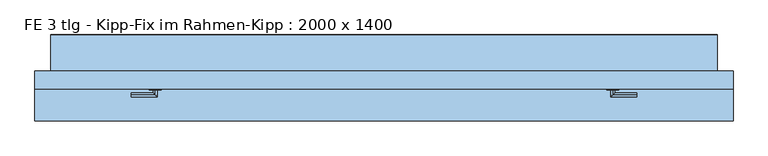
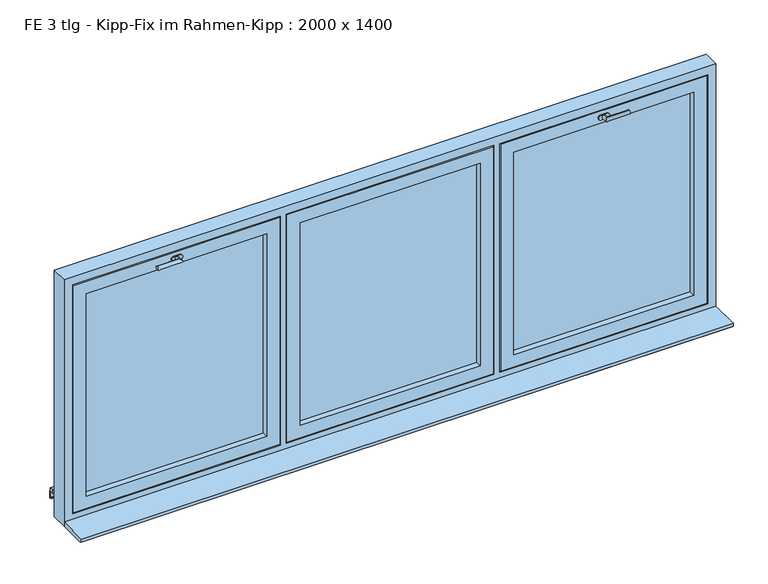
"""IFC4 building model written with IfcOpenShell, lengths in millimetres: window geometry, FE 3 tlg - Kipp-Fix im Rahmen-Kipp : 2000 x 1400."""

from ifc_helpers import new_model, si_unit, frame, origin, place, context, project, spatial, polyline, circle_curve, ellipse_curve, outline, extrude, faceted_brep, source, transform, mapped, element, save
from ifc_brep_helpers import plane_surface, cylinder_surface, advanced_brep


def fe_3_tlg_kipp_fix_im_rahmen_kipp_2000_x_1400_42bc83df(model_context):
    return source(origin(), model_context, "Body", "SolidModel", [
        advanced_brep(
        [(1129.1666667, 35.0, 2177.5), (1146.6666667, 35.0, 2177.5), (1164.1666667, 35.0, 2177.5), (1164.1666667, 35.0, 2152.5), (1146.6666667, 35.0, 2152.5), (1129.1666667, 35.0, 2152.5), (1146.6666667, 5.0, 2155.0), (1146.6666667, 5.0, 2175.0), (1146.6666667, 29.0, 2175.0), (1146.6666667, 29.0, 2155.0), (1266.6666667, 5.0, 2155.0), (1266.6666667, 5.0, 2175.0), (1129.1666667, 29.0, 2177.5), (1129.1666667, 29.0, 2152.5), (1146.6666667, 29.0, 2152.5), (1164.1666667, 29.0, 2152.5), (1164.1666667, 29.0, 2177.5), (1146.6666667, 29.0, 2177.5)],
        [
            (0, 1),
            (1, 2),
            (2, 3, circle_curve(frame((1164.1666667, 35.0, 2165.0), z_axis=(0.0, 1.0, 0.0), x_axis=(0.0, 0.0, 1.0)), 12.5)),
            (3, 4),
            (4, 5),
            (5, 0, circle_curve(frame((1129.1666667, 35.0, 2165.0), z_axis=(0.0, 1.0, 0.0), x_axis=(0.0, 0.0, 1.0)), 12.5)),
            (6, 7, ellipse_curve(frame((1146.6666667, 5.0, 2165.0), z_axis=(-0.7071067811865475, 0.7071067811865475, 0.0), x_axis=(0.7071067811865474, 0.7071067811865476, 0.0)), 14.1421356, 10.0)),
            (7, 8),
            (8, 9, circle_curve(frame((1146.6666667, 29.0, 2165.0), z_axis=(0.0, -1.0, 0.0), x_axis=(0.0, 0.0, 1.0)), 10.0)),
            (9, 6),
            (7, 6, ellipse_curve(frame((1146.6666667, 5.0, 2165.0), z_axis=(-0.7071067811865475, 0.7071067811865475, 0.0), x_axis=(0.7071067811865474, 0.7071067811865476, 0.0)), 14.1421356, 10.0)),
            (9, 8, circle_curve(frame((1146.6666667, 29.0, 2165.0), z_axis=(0.0, -1.0, 0.0), x_axis=(0.0, 0.0, 1.0)), 10.0)),
            (10, 11, circle_curve(frame((1266.6666667, 5.0, 2165.0), z_axis=(1.0, 0.0, 0.0), x_axis=(0.0, 0.0, 1.0)), 10.0)),
            (11, 10, circle_curve(frame((1266.6666667, 5.0, 2165.0), z_axis=(1.0, 0.0, 0.0), x_axis=(0.0, 0.0, 1.0)), 10.0)),
            (6, 10),
            (11, 7),
            (12, 13, circle_curve(frame((1129.1666667, 29.0, 2165.0), z_axis=(0.0, -1.0, 0.0), x_axis=(0.0, 0.0, 1.0)), 12.5)),
            (13, 14),
            (14, 15),
            (15, 16, circle_curve(frame((1164.1666667, 29.0, 2165.0), z_axis=(0.0, -1.0, 0.0), x_axis=(0.0, 0.0, 1.0)), 12.5)),
            (16, 17),
            (17, 12),
            (12, 0),
            (5, 13),
            (4, 14),
            (3, 15),
            (2, 16),
            (1, 17),
        ],
        [
            plane_surface(frame((1146.6666667, 35.0, 2165.0), z_axis=(0.0, 1.0, 0.0), x_axis=(0.0, 0.0, 1.0))),
            cylinder_surface(frame((1146.6666667, 35.0, 2165.0), z_axis=(0.0, 1.0, 0.0), x_axis=(0.0, 0.0, 1.0)), 10.0),
            plane_surface(frame((1266.6666667, 5.0, 2165.0), z_axis=(1.0, 0.0, 0.0), x_axis=(0.0, 0.0, 1.0))),
            cylinder_surface(frame((1146.6666667, 5.0, 2165.0), z_axis=(-1.0, 0.0, 0.0), x_axis=(0.0, 0.0, 1.0)), 10.0),
            plane_surface(frame((1129.1666667, 29.0, 2177.5), z_axis=(0.0, -1.0, 0.0), x_axis=(-1.0, 0.0, 0.0))),
            cylinder_surface(frame((1129.1666667, 35.0, 2165.0), z_axis=(0.0, -1.0, 0.0), x_axis=(0.0, 0.0, 1.0)), 12.5),
            plane_surface(frame((1129.1666667, 29.0, 2152.5), z_axis=(0.0, 0.0, -1.0), x_axis=(0.0, 1.0, 0.0))),
            plane_surface(frame((1146.6666667, 29.0, 2152.5), z_axis=(0.0, 0.0, -1.0), x_axis=(0.0, 1.0, 0.0))),
            cylinder_surface(frame((1164.1666667, 35.0, 2165.0), z_axis=(0.0, -1.0, 0.0), x_axis=(0.0, 0.0, 1.0)), 12.5),
            plane_surface(frame((1164.1666667, 29.0, 2177.5), z_axis=(0.0, 0.0, 1.0), x_axis=(0.0, 1.0, 0.0))),
            plane_surface(frame((1146.6666667, 29.0, 2177.5), z_axis=(0.0, 0.0, 1.0), x_axis=(0.0, 1.0, 0.0))),
        ],
        [
            (0, [[1, 2, 3, 4, 5, 6]]),
            (1, [[7, 8, 9, 10]]),
            (1, [[11, -10, 12, -8]]),
            (2, [[13, 14]]),
            (3, [[-7, 15, -14, 16]]),
            (3, [[-11, -16, -13, -15]]),
            (4, [[17, 18, 19, 20, 21, 22], [-9, -12]]),
            (5, [[-17, 23, -6, 24]]),
            (6, [[-18, -24, -5, 25]]),
            (7, [[-19, -25, -4, 26]]),
            (8, [[-20, -26, -3, 27]]),
            (9, [[-21, -27, -2, 28]]),
            (10, [[-22, -28, -1, -23]]),
        ],
    ),
        faceted_brep([(1630.0, 35.0, 2130.0), (1630.0, 125.0, 2130.0), (1630.0, 125.0, 980.0), (1630.0, 35.0, 980.0), (1660.0, 125.0, 950.0), (633.3333333, 125.0, 950.0), (633.3333333, 125.0, 2160.0), (1660.0, 125.0, 2160.0), (663.3333333, 125.0, 2130.0), (663.3333333, 125.0, 980.0), (663.3333333, 35.0, 980.0), (1700.0, 35.0, 2200.0), (593.3333333, 35.0, 2200.0), (593.3333333, 35.0, 910.0), (1700.0, 35.0, 910.0), (663.3333333, 35.0, 2130.0), (1700.0, 50.0, 2200.0), (1700.0, 50.0, 910.0), (593.3333333, 50.0, 910.0), (593.3333333, 50.0, 2200.0), (1685.0, 50.0, 2185.0), (608.3333333, 50.0, 2185.0), (608.3333333, 50.0, 925.0), (1685.0, 50.0, 925.0), (1685.0, 80.0, 2185.0), (1685.0, 80.0, 925.0), (608.3333333, 80.0, 925.0), (608.3333333, 80.0, 2185.0), (1675.0, 80.0, 2175.0), (618.3333333, 80.0, 2175.0), (618.3333333, 80.0, 935.0), (1675.0, 80.0, 935.0), (1675.0, 110.0, 2175.0), (1675.0, 110.0, 935.0), (618.3333333, 110.0, 935.0), (618.3333333, 110.0, 2175.0), (1660.0, 110.0, 2160.0), (633.3333333, 110.0, 2160.0), (633.3333333, 110.0, 950.0), (1660.0, 110.0, 950.0)], [[[0, 1, 2, 3]], [[4, 5, 6, 7], [1, 8, 9, 2]], [[3, 2, 9, 10]], [[11, 12, 13, 14], [3, 10, 15, 0]], [[16, 11, 14, 17]], [[17, 14, 13, 18]], [[17, 18, 19, 16], [20, 21, 22, 23]], [[24, 20, 23, 25]], [[25, 23, 22, 26]], [[25, 26, 27, 24], [28, 29, 30, 31]], [[32, 28, 31, 33]], [[33, 31, 30, 34]], [[33, 34, 35, 32], [36, 37, 38, 39]], [[7, 36, 39, 4]], [[4, 39, 38, 5]], [[10, 9, 8, 15]], [[18, 13, 12, 19]], [[26, 22, 21, 27]], [[34, 30, 29, 35]], [[5, 38, 37, 6]], [[15, 8, 1, 0]], [[19, 12, 11, 16]], [[27, 21, 20, 24]], [[35, 29, 28, 32]], [[6, 37, 36, 7]]]),
        extrude(outline(polyline([(1630.0, 110.0), (1630.0, 66.0), (663.3333333, 66.0), (663.3333333, 110.0), (1630.0, 110.0)])), frame((0.0, 0.0, 980.0), z_axis=(0.0, 0.0, 1.0), x_axis=(1.0, 0.0, 0.0)), (0.0, 0.0, 1.0), 1150.0),
        faceted_brep([(483.3333333, 35.0, 2130.0), (483.3333333, 125.0, 2130.0), (483.3333333, 125.0, 980.0), (483.3333333, 35.0, 980.0), (513.3333333, 125.0, 950.0), (-513.3333333, 125.0, 950.0), (-513.3333333, 125.0, 2160.0), (513.3333333, 125.0, 2160.0), (-483.3333333, 125.0, 2130.0), (-483.3333333, 125.0, 980.0), (-483.3333333, 35.0, 980.0), (553.3333333, 35.0, 2200.0), (-553.3333333, 35.0, 2200.0), (-553.3333333, 35.0, 910.0), (553.3333333, 35.0, 910.0), (-483.3333333, 35.0, 2130.0), (553.3333333, 50.0, 2200.0), (553.3333333, 50.0, 910.0), (-553.3333333, 50.0, 910.0), (-553.3333333, 50.0, 2200.0), (538.3333333, 50.0, 2185.0), (-538.3333333, 50.0, 2185.0), (-538.3333333, 50.0, 925.0), (538.3333333, 50.0, 925.0), (538.3333333, 80.0, 2185.0), (538.3333333, 80.0, 925.0), (-538.3333333, 80.0, 925.0), (-538.3333333, 80.0, 2185.0), (528.3333333, 80.0, 2175.0), (-528.3333333, 80.0, 2175.0), (-528.3333333, 80.0, 935.0), (528.3333333, 80.0, 935.0), (528.3333333, 110.0, 2175.0), (528.3333333, 110.0, 935.0), (-528.3333333, 110.0, 935.0), (-528.3333333, 110.0, 2175.0), (513.3333333, 110.0, 2160.0), (-513.3333333, 110.0, 2160.0), (-513.3333333, 110.0, 950.0), (513.3333333, 110.0, 950.0)], [[[0, 1, 2, 3]], [[4, 5, 6, 7], [1, 8, 9, 2]], [[3, 2, 9, 10]], [[11, 12, 13, 14], [3, 10, 15, 0]], [[16, 11, 14, 17]], [[17, 14, 13, 18]], [[17, 18, 19, 16], [20, 21, 22, 23]], [[24, 20, 23, 25]], [[25, 23, 22, 26]], [[25, 26, 27, 24], [28, 29, 30, 31]], [[32, 28, 31, 33]], [[33, 31, 30, 34]], [[33, 34, 35, 32], [36, 37, 38, 39]], [[7, 36, 39, 4]], [[4, 39, 38, 5]], [[10, 9, 8, 15]], [[18, 13, 12, 19]], [[26, 22, 21, 27]], [[34, 30, 29, 35]], [[5, 38, 37, 6]], [[15, 8, 1, 0]], [[19, 12, 11, 16]], [[27, 21, 20, 24]], [[35, 29, 28, 32]], [[6, 37, 36, 7]]]),
        extrude(outline(polyline([(483.3333333, 110.0), (483.3333333, 66.0), (-483.3333333, 66.0), (-483.3333333, 110.0), (483.3333333, 110.0)])), frame((0.0, 0.0, 980.0), z_axis=(0.0, 0.0, 1.0), x_axis=(1.0, 0.0, 0.0)), (0.0, 0.0, 1.0), 1150.0),
        faceted_brep([(-1670.0, 305.0, 878.7890244), (-1670.0, 285.0, 880.0390244), (-1670.0, 125.0, 890.0390244), (1670.0, 125.0, 890.0390244), (1670.0, 285.0, 880.0390244), (1670.0, 305.0, 878.7890244), (-1670.0, 305.0, 858.75), (1670.0, 305.0, 858.75), (-1670.0, 285.0, 860.0), (1670.0, 285.0, 860.0), (1670.0, 125.0, 870.0), (-1670.0, 125.0, 870.0)], [[[0, 1, 2, 3, 4, 5]], [[6, 0, 5, 7]], [[8, 6, 7, 9, 10, 11]], [[2, 11, 10, 3]], [[8, 1, 0, 6]], [[9, 4, 3, 10]], [[1, 8, 11, 2]], [[4, 9, 7, 5]]]),
        faceted_brep([(-1670.0, 307.0, 860.6252434), (-1670.0, 285.0, 862.0002434), (-1670.0, 127.0, 871.8752434), (1670.0, 127.0, 871.8752434), (1670.0, 285.0, 862.0002434), (1670.0, 307.0, 860.6252434), (-1670.0, 307.0, 820.6252434), (1670.0, 307.0, 820.6252434), (-1670.0, 295.0, 820.6252434), (1670.0, 295.0, 820.6252434), (-1670.0, 295.0, 822.6252434), (1670.0, 295.0, 822.6252434), (-1670.0, 305.0, 822.6252434), (1670.0, 305.0, 822.6252434), (-1670.0, 305.0, 858.75), (1670.0, 305.0, 858.75), (-1670.0, 285.0, 860.0), (1670.0, 285.0, 860.0), (1670.0, 125.0, 870.0), (-1670.0, 125.0, 870.0), (-1670.0, 125.0, 890.0), (1670.0, 125.0, 890.0), (-1670.0, 127.0, 890.0), (1670.0, 127.0, 890.0)], [[[0, 1, 2, 3, 4, 5]], [[6, 0, 5, 7]], [[8, 6, 7, 9]], [[10, 8, 9, 11]], [[12, 10, 11, 13]], [[14, 12, 13, 15]], [[16, 14, 15, 17, 18, 19]], [[20, 19, 18, 21]], [[22, 20, 21, 23]], [[2, 22, 23, 3]], [[16, 1, 0, 6, 8, 10, 12, 14]], [[17, 4, 3, 23, 21, 18]], [[1, 16, 19, 20, 22, 2]], [[4, 17, 15, 13, 11, 9, 7, 5]]]),
        advanced_brep(
        [(-1129.1666667, 35.0, 2177.5), (-1129.1666667, 35.0, 2152.5), (-1146.6666667, 35.0, 2152.5), (-1164.1666667, 35.0, 2152.5), (-1164.1666667, 35.0, 2177.5), (-1146.6666667, 35.0, 2177.5), (-1146.6666667, 5.0, 2155.0), (-1146.6666667, 29.0, 2155.0), (-1146.6666667, 29.0, 2175.0), (-1146.6666667, 5.0, 2175.0), (-1266.6666667, 5.0, 2155.0), (-1266.6666667, 5.0, 2175.0), (-1129.1666667, 29.0, 2177.5), (-1146.6666667, 29.0, 2177.5), (-1164.1666667, 29.0, 2177.5), (-1164.1666667, 29.0, 2152.5), (-1146.6666667, 29.0, 2152.5), (-1129.1666667, 29.0, 2152.5)],
        [
            (0, 1, circle_curve(frame((-1129.1666667, 35.0, 2165.0), z_axis=(0.0, 1.0, 0.0), x_axis=(0.0, 0.0, 1.0)), 12.5)),
            (1, 2),
            (2, 3),
            (3, 4, circle_curve(frame((-1164.1666667, 35.0, 2165.0), z_axis=(0.0, 1.0, 0.0), x_axis=(0.0, 0.0, 1.0)), 12.5)),
            (4, 5),
            (5, 0),
            (6, 7),
            (7, 8, circle_curve(frame((-1146.6666667, 29.0, 2165.0), z_axis=(0.0, -1.0, 0.0), x_axis=(0.0, 0.0, 1.0)), 10.0)),
            (8, 9),
            (9, 6, ellipse_curve(frame((-1146.6666667, 5.0, 2165.0), z_axis=(0.7071067811865475, 0.7071067811865475, 0.0), x_axis=(-0.7071067811865474, 0.7071067811865476, 0.0)), 14.1421356, 10.0)),
            (8, 7, circle_curve(frame((-1146.6666667, 29.0, 2165.0), z_axis=(0.0, -1.0, 0.0), x_axis=(0.0, 0.0, 1.0)), 10.0)),
            (6, 9, ellipse_curve(frame((-1146.6666667, 5.0, 2165.0), z_axis=(0.7071067811865475, 0.7071067811865475, 0.0), x_axis=(-0.7071067811865474, 0.7071067811865476, 0.0)), 14.1421356, 10.0)),
            (10, 11, circle_curve(frame((-1266.6666667, 5.0, 2165.0), z_axis=(-1.0, 0.0, 0.0), x_axis=(0.0, 0.0, 1.0)), 10.0)),
            (11, 10, circle_curve(frame((-1266.6666667, 5.0, 2165.0), z_axis=(-1.0, 0.0, 0.0), x_axis=(0.0, 0.0, 1.0)), 10.0)),
            (9, 11),
            (10, 6),
            (12, 13),
            (13, 14),
            (14, 15, circle_curve(frame((-1164.1666667, 29.0, 2165.0), z_axis=(0.0, -1.0, 0.0), x_axis=(0.0, 0.0, 1.0)), 12.5)),
            (15, 16),
            (16, 17),
            (17, 12, circle_curve(frame((-1129.1666667, 29.0, 2165.0), z_axis=(0.0, -1.0, 0.0), x_axis=(0.0, 0.0, 1.0)), 12.5)),
            (17, 1),
            (0, 12),
            (16, 2),
            (15, 3),
            (14, 4),
            (13, 5),
        ],
        [
            plane_surface(frame((-1146.6666667, 35.0, 2165.0), z_axis=(0.0, 1.0, 0.0), x_axis=(0.0, 0.0, 1.0))),
            cylinder_surface(frame((-1146.6666667, 35.0, 2165.0), z_axis=(0.0, 1.0, 0.0), x_axis=(0.0, 0.0, 1.0)), 10.0),
            plane_surface(frame((-1266.6666667, 5.0, 2165.0), z_axis=(-1.0, 0.0, 0.0), x_axis=(0.0, 0.0, 1.0))),
            cylinder_surface(frame((-1146.6666667, 5.0, 2165.0), z_axis=(1.0, 0.0, 0.0), x_axis=(0.0, 0.0, 1.0)), 10.0),
            plane_surface(frame((-1129.1666667, 29.0, 2177.5), z_axis=(0.0, -1.0, 0.0), x_axis=(1.0, 0.0, 0.0))),
            cylinder_surface(frame((-1129.1666667, 35.0, 2165.0), z_axis=(0.0, -1.0, 0.0), x_axis=(0.0, 0.0, 1.0)), 12.5),
            plane_surface(frame((-1129.1666667, 29.0, 2152.5), z_axis=(0.0, 0.0, -1.0), x_axis=(0.0, 1.0, 0.0))),
            plane_surface(frame((-1146.6666667, 29.0, 2152.5), z_axis=(0.0, 0.0, -1.0), x_axis=(0.0, 1.0, 0.0))),
            cylinder_surface(frame((-1164.1666667, 35.0, 2165.0), z_axis=(0.0, -1.0, 0.0), x_axis=(0.0, 0.0, 1.0)), 12.5),
            plane_surface(frame((-1164.1666667, 29.0, 2177.5), z_axis=(0.0, 0.0, 1.0), x_axis=(0.0, 1.0, 0.0))),
            plane_surface(frame((-1146.6666667, 29.0, 2177.5), z_axis=(0.0, 0.0, 1.0), x_axis=(0.0, 1.0, 0.0))),
        ],
        [
            (0, [[1, 2, 3, 4, 5, 6]]),
            (1, [[7, 8, 9, 10]]),
            (1, [[-9, 11, -7, 12]]),
            (2, [[13, 14]]),
            (3, [[15, -13, 16, -10]]),
            (3, [[-16, -14, -15, -12]]),
            (4, [[17, 18, 19, 20, 21, 22], [-11, -8]]),
            (5, [[23, -1, 24, -22]]),
            (6, [[25, -2, -23, -21]]),
            (7, [[26, -3, -25, -20]]),
            (8, [[27, -4, -26, -19]]),
            (9, [[28, -5, -27, -18]]),
            (10, [[-24, -6, -28, -17]]),
        ],
    ),
        faceted_brep([(-1630.0, 35.0, 2130.0), (-1630.0, 35.0, 980.0), (-1630.0, 125.0, 980.0), (-1630.0, 125.0, 2130.0), (-1660.0, 125.0, 950.0), (-1660.0, 125.0, 2160.0), (-633.3333333, 125.0, 2160.0), (-633.3333333, 125.0, 950.0), (-663.3333333, 125.0, 980.0), (-663.3333333, 125.0, 2130.0), (-663.3333333, 35.0, 980.0), (-1700.0, 35.0, 2200.0), (-1700.0, 35.0, 910.0), (-593.3333333, 35.0, 910.0), (-593.3333333, 35.0, 2200.0), (-663.3333333, 35.0, 2130.0), (-1700.0, 50.0, 2200.0), (-1700.0, 50.0, 910.0), (-593.3333333, 50.0, 910.0), (-593.3333333, 50.0, 2200.0), (-1685.0, 50.0, 2185.0), (-1685.0, 50.0, 925.0), (-608.3333333, 50.0, 925.0), (-608.3333333, 50.0, 2185.0), (-1685.0, 80.0, 2185.0), (-1685.0, 80.0, 925.0), (-608.3333333, 80.0, 925.0), (-608.3333333, 80.0, 2185.0), (-1675.0, 80.0, 2175.0), (-1675.0, 80.0, 935.0), (-618.3333333, 80.0, 935.0), (-618.3333333, 80.0, 2175.0), (-1675.0, 110.0, 2175.0), (-1675.0, 110.0, 935.0), (-618.3333333, 110.0, 935.0), (-618.3333333, 110.0, 2175.0), (-1660.0, 110.0, 2160.0), (-1660.0, 110.0, 950.0), (-633.3333333, 110.0, 950.0), (-633.3333333, 110.0, 2160.0)], [[[0, 1, 2, 3]], [[4, 5, 6, 7], [3, 2, 8, 9]], [[1, 10, 8, 2]], [[11, 12, 13, 14], [1, 0, 15, 10]], [[16, 17, 12, 11]], [[17, 18, 13, 12]], [[17, 16, 19, 18], [20, 21, 22, 23]], [[24, 25, 21, 20]], [[25, 26, 22, 21]], [[25, 24, 27, 26], [28, 29, 30, 31]], [[32, 33, 29, 28]], [[33, 34, 30, 29]], [[33, 32, 35, 34], [36, 37, 38, 39]], [[5, 4, 37, 36]], [[4, 7, 38, 37]], [[10, 15, 9, 8]], [[18, 19, 14, 13]], [[26, 27, 23, 22]], [[34, 35, 31, 30]], [[7, 6, 39, 38]], [[15, 0, 3, 9]], [[19, 16, 11, 14]], [[27, 24, 20, 23]], [[35, 32, 28, 31]], [[6, 5, 36, 39]]]),
        extrude(outline(polyline([(-1630.0, 110.0), (-663.3333333, 110.0), (-663.3333333, 66.0), (-1630.0, 66.0), (-1630.0, 110.0)])), frame((0.0, 0.0, 980.0), z_axis=(0.0, 0.0, 1.0), x_axis=(1.0, 0.0, 0.0)), (0.0, 0.0, 1.0), 1150.0),
        faceted_brep([(1750.0, 125.0, 850.0), (1750.0, 35.0, 850.0), (-1750.0, 35.0, 850.0), (-1750.0, 125.0, 850.0), (1750.0, 125.0, 2250.0), (1750.0, 35.0, 2250.0), (-1750.0, 35.0, 2250.0), (1705.0, 35.0, 2205.0), (1705.0, 35.0, 905.0), (588.3333333, 35.0, 905.0), (588.3333333, 35.0, 2205.0), (558.3333333, 35.0, 2205.0), (558.3333333, 35.0, 905.0), (-558.3333333, 35.0, 905.0), (-558.3333333, 35.0, 2205.0), (-588.3333333, 35.0, 2205.0), (-588.3333333, 35.0, 905.0), (-1705.0, 35.0, 905.0), (-1705.0, 35.0, 2205.0), (-1750.0, 125.0, 2250.0), (-628.3333333, 125.0, 945.0), (-628.3333333, 125.0, 2165.0), (-1665.0, 125.0, 2165.0), (-1665.0, 125.0, 945.0), (518.3333333, 125.0, 945.0), (518.3333333, 125.0, 2165.0), (-518.3333333, 125.0, 2165.0), (-518.3333333, 125.0, 945.0), (1665.0, 125.0, 945.0), (1665.0, 125.0, 2165.0), (628.3333333, 125.0, 2165.0), (628.3333333, 125.0, 945.0), (-628.3333333, 110.0, 945.0), (-628.3333333, 110.0, 2165.0), (-1665.0, 110.0, 2165.0), (-1665.0, 110.0, 945.0), (518.3333333, 110.0, 945.0), (518.3333333, 110.0, 2165.0), (-518.3333333, 110.0, 945.0), (-518.3333333, 110.0, 2165.0), (1665.0, 110.0, 945.0), (1665.0, 110.0, 2165.0), (628.3333333, 110.0, 2165.0), (628.3333333, 110.0, 945.0), (-588.3333333, 50.0, 2205.0), (-588.3333333, 50.0, 905.0), (-1705.0, 50.0, 905.0), (-1705.0, 50.0, 2205.0), (558.3333333, 50.0, 2205.0), (558.3333333, 50.0, 905.0), (-558.3333333, 50.0, 905.0), (-558.3333333, 50.0, 2205.0), (1705.0, 50.0, 2205.0), (1705.0, 50.0, 905.0), (588.3333333, 50.0, 905.0), (588.3333333, 50.0, 2205.0), (-603.3333333, 50.0, 2190.0), (-603.3333333, 50.0, 920.0), (-1690.0, 50.0, 920.0), (-1690.0, 50.0, 2190.0), (-603.3333333, 80.0, 2190.0), (-603.3333333, 80.0, 920.0), (-1690.0, 80.0, 2190.0), (-1690.0, 80.0, 920.0), (-613.3333333, 80.0, 2180.0), (-613.3333333, 80.0, 930.0), (-1680.0, 80.0, 930.0), (-1680.0, 80.0, 2180.0), (-613.3333333, 110.0, 2180.0), (-613.3333333, 110.0, 930.0), (-1680.0, 110.0, 2180.0), (-1680.0, 110.0, 930.0), (543.3333333, 50.0, 2190.0), (543.3333333, 50.0, 920.0), (-543.3333333, 50.0, 920.0), (-543.3333333, 50.0, 2190.0), (543.3333333, 80.0, 920.0), (543.3333333, 80.0, 2190.0), (-543.3333333, 80.0, 2190.0), (-543.3333333, 80.0, 920.0), (533.3333333, 80.0, 2180.0), (533.3333333, 80.0, 930.0), (-533.3333333, 80.0, 930.0), (-533.3333333, 80.0, 2180.0), (533.3333333, 110.0, 930.0), (533.3333333, 110.0, 2180.0), (-533.3333333, 110.0, 2180.0), (-533.3333333, 110.0, 930.0), (1690.0, 50.0, 2190.0), (1690.0, 50.0, 920.0), (603.3333333, 50.0, 920.0), (603.3333333, 50.0, 2190.0), (1690.0, 80.0, 2190.0), (1690.0, 80.0, 920.0), (603.3333333, 80.0, 2190.0), (603.3333333, 80.0, 920.0), (1680.0, 80.0, 2180.0), (1680.0, 80.0, 930.0), (613.3333333, 80.0, 930.0), (613.3333333, 80.0, 2180.0), (1680.0, 110.0, 2180.0), (1680.0, 110.0, 930.0), (613.3333333, 110.0, 2180.0), (613.3333333, 110.0, 930.0)], [[[0, 1, 2, 3]], [[4, 5, 1, 0]], [[5, 6, 2, 1], [7, 8, 9, 10], [11, 12, 13, 14], [15, 16, 17, 18]], [[6, 19, 3, 2]], [[19, 4, 0, 3], [20, 21, 22, 23], [24, 25, 26, 27], [28, 29, 30, 31]], [[32, 33, 21, 20]], [[22, 34, 35, 23]], [[32, 20, 23, 35]], [[24, 36, 37, 25]], [[38, 27, 26, 39]], [[36, 24, 27, 38]], [[40, 41, 29, 28]], [[30, 42, 43, 31]], [[40, 28, 31, 43]], [[15, 44, 45, 16]], [[16, 45, 46, 17]], [[47, 18, 17, 46]], [[48, 49, 12, 11]], [[12, 49, 50, 13]], [[13, 50, 51, 14]], [[7, 52, 53, 8]], [[8, 53, 54, 9]], [[55, 10, 9, 54]], [[45, 44, 47, 46], [56, 57, 58, 59]], [[57, 56, 60, 61]], [[61, 60, 62, 63], [64, 65, 66, 67]], [[57, 61, 63, 58]], [[65, 64, 68, 69]], [[69, 68, 70, 71], [33, 32, 35, 34]], [[65, 69, 71, 66]], [[62, 59, 58, 63]], [[70, 67, 66, 71]], [[49, 48, 51, 50], [72, 73, 74, 75]], [[76, 77, 78, 79], [80, 81, 82, 83]], [[77, 76, 73, 72]], [[73, 76, 79, 74]], [[84, 85, 86, 87], [37, 36, 38, 39]], [[85, 84, 81, 80]], [[81, 84, 87, 82]], [[74, 79, 78, 75]], [[82, 87, 86, 83]], [[53, 52, 55, 54], [88, 89, 90, 91]], [[89, 88, 92, 93]], [[93, 92, 94, 95], [96, 97, 98, 99]], [[89, 93, 95, 90]], [[97, 96, 100, 101]], [[101, 100, 102, 103], [41, 40, 43, 42]], [[97, 101, 103, 98]], [[94, 91, 90, 95]], [[102, 99, 98, 103]], [[4, 19, 6, 5]], [[44, 15, 18, 47]], [[60, 56, 59, 62]], [[68, 64, 67, 70]], [[21, 33, 34, 22]], [[48, 11, 14, 51]], [[77, 72, 75, 78]], [[85, 80, 83, 86]], [[25, 37, 39, 26]], [[52, 7, 10, 55]], [[92, 88, 91, 94]], [[100, 96, 99, 102]], [[29, 41, 42, 30]]]),
        extrude(outline(polyline([(-125.0, 875.0), (35.0, 875.0), (35.0, 850.0), (-115.0, 850.0), (-115.0, 857.0), (-125.0, 857.0), (-125.0, 875.0)])), frame((-1750.0, 0.0, 0.0), z_axis=(1.0, 0.0, 0.0), x_axis=(0.0, 1.0, 0.0)), (0.0, 0.0, 1.0), 3500.0),
    ])


if __name__ == "__main__":
    model = new_model("IFC4")
    model_context = context("Model", 3, world=origin())
    ifc_project = project(units=[si_unit("LENGTHUNIT", "METRE", prefix="MILLI")], contexts=[model_context])
    site = spatial("IfcSite", under=ifc_project)
    building = spatial("IfcBuilding", under=site)
    placement = place(None, origin())
    fe_3_tlg_kipp_fix_im_rahmen_kipp_2000_x_1400_shape = fe_3_tlg_kipp_fix_im_rahmen_kipp_2000_x_1400_42bc83df(model_context)
    element("IfcWindow", 1, ObjectType="FE 3 tlg - Kipp-Fix im Rahmen-Kipp : 2000 x 1400", at=placement, inside=building, context=model_context, shape_type="MappedRepresentation", body=[
        mapped(fe_3_tlg_kipp_fix_im_rahmen_kipp_2000_x_1400_shape, transform((0.0, 0.0, 0.0), x_axis=(1.0, 0.0, 0.0), y_axis=(0.0, 1.0, 0.0), z_axis=(0.0, 0.0, 1.0))),
    ])
    save(model, "model.ifc")
